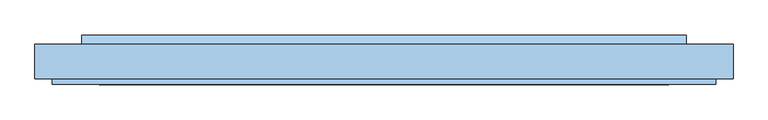
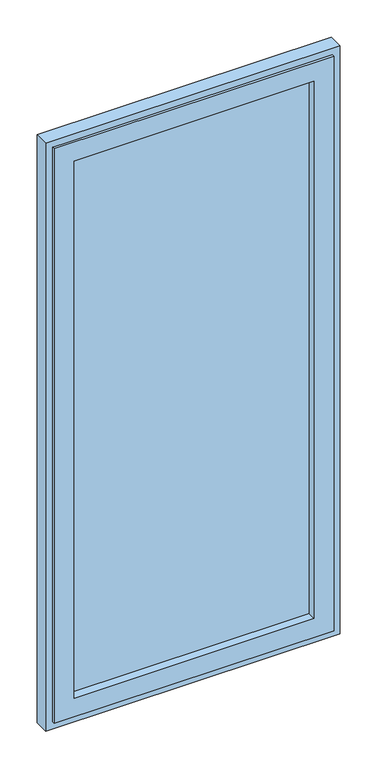
"""IFC4 building model written with IfcOpenShell, lengths in millimetres: window geometry."""

from ifc_helpers import new_model, si_unit, frame, origin, place, context, project, spatial, polyline, outline, extrude, faceted_brep, source, transform, mapped, element, save


def window_d080cc58(model_context):
    return source(origin(), model_context, "Body", "SolidModel", [
        faceted_brep([(-522.9999998, -54.0, 27.0), (-522.9999998, -45.0, 27.0), (522.9999998, -45.0, 27.0), (522.9999998, -54.0, 27.0), (-491.9999998, 0.0, 58.0), (-491.9999998, 9.0, 58.0), (491.9999998, 9.0, 58.0), (491.9999998, 0.0, 58.0), (-448.9999998, 9.0, 101.0), (-448.9999998, -54.0, 101.0), (448.9999998, -54.0, 101.0), (448.9999998, 9.0, 101.0), (522.9999998, -45.0, 2298.0), (522.9999998, -54.0, 2298.0), (491.9999998, 9.0, 2267.0), (491.9999998, 0.0, 2267.0), (448.9999998, -54.0, 2224.0), (448.9999998, 9.0, 2224.0), (-522.9999998, -45.0, 2298.0), (-522.9999998, -54.0, 2298.0), (-491.9999998, 9.0, 2267.0), (-491.9999998, 0.0, 2267.0), (-448.9999998, -54.0, 2224.0), (-448.9999998, 9.0, 2224.0), (-497.9999998, 0.0, 52.0), (-497.9999998, 0.0, 2273.0), (497.9999998, 0.0, 2273.0), (497.9999998, 0.0, 52.0), (-497.9999998, -45.0, 52.0), (497.9999998, -45.0, 52.0), (497.9999998, -45.0, 2273.0), (-497.9999998, -45.0, 2273.0)], [[[0, 1, 2, 3]], [[4, 5, 6, 7]], [[8, 9, 10, 11]], [[3, 2, 12, 13]], [[7, 6, 14, 15]], [[11, 10, 16, 17]], [[13, 12, 18, 19]], [[15, 14, 20, 21]], [[17, 16, 22, 23]], [[19, 18, 1, 0]], [[5, 20, 14, 6], [11, 17, 23, 8]], [[21, 20, 5, 4]], [[24, 25, 26, 27], [7, 15, 21, 4]], [[23, 22, 9, 8]], [[3, 13, 19, 0], [9, 22, 16, 10]], [[28, 24, 27, 29]], [[29, 27, 26, 30]], [[30, 26, 25, 31]], [[1, 18, 12, 2], [29, 30, 31, 28]], [[31, 25, 24, 28]]]),
        extrude(outline(polyline([(448.9999998, -22.0), (-448.9999998, -22.0), (-448.9999998, 0.0), (448.9999998, 0.0), (448.9999998, -22.0)])), frame((0.0, 0.0, 101.0), z_axis=(0.0, 0.0, 1.0), x_axis=(1.0, 0.0, 0.0)), (0.0, 0.0, 1.0), 2123.0),
        extrude(outline(polyline([(24.0, 58.0), (9.0, 58.0), (9.0, 70.5), (24.0, 63.0), (24.0, 58.0)])), frame((-475.9999998, 0.0, 0.0), z_axis=(1.0, 0.0, 0.0), x_axis=(0.0, 1.0, 0.0)), (0.0, 0.0, 1.0), 951.9999997),
        faceted_brep([(497.9999998, 0.0, 52.0), (497.9999998, 9.0, 52.0), (-497.9999998, 9.0, 52.0), (-497.9999998, 0.0, 52.0), (515.9999998, -45.0, 34.0), (515.9999998, 0.0, 34.0), (-515.9999998, 0.0, 34.0), (-515.9999998, -45.0, 34.0), (549.9999998, 9.0, 0.0), (549.9999998, -45.0, 0.0), (-549.9999998, -45.0, 0.0), (-549.9999998, 9.0, 0.0), (-497.9999998, 9.0, 2273.0), (-497.9999998, 0.0, 2273.0), (-515.9999998, 0.0, 2291.0), (-515.9999998, -45.0, 2291.0), (-549.9999998, -45.0, 2325.0), (-549.9999998, 9.0, 2325.0), (497.9999998, 9.0, 2273.0), (497.9999998, 0.0, 2273.0), (515.9999998, 0.0, 2291.0), (515.9999998, -45.0, 2291.0), (549.9999998, -45.0, 2325.0), (549.9999998, 9.0, 2325.0)], [[[0, 1, 2, 3]], [[4, 5, 6, 7]], [[8, 9, 10, 11]], [[3, 2, 12, 13]], [[7, 6, 14, 15]], [[11, 10, 16, 17]], [[13, 12, 18, 19]], [[15, 14, 20, 21]], [[17, 16, 22, 23]], [[19, 18, 1, 0]], [[5, 20, 14, 6], [3, 13, 19, 0]], [[21, 20, 5, 4]], [[9, 22, 16, 10], [7, 15, 21, 4]], [[23, 22, 9, 8]], [[11, 17, 23, 8], [1, 18, 12, 2]]]),
    ])


if __name__ == "__main__":
    model = new_model("IFC4")
    model_context = context("Model", 3, world=origin())
    ifc_project = project(units=[si_unit("LENGTHUNIT", "METRE", prefix="MILLI")], contexts=[model_context])
    site = spatial("IfcSite", under=ifc_project)
    building = spatial("IfcBuilding", under=site)
    placement = place(None, origin())
    window_shape = window_d080cc58(model_context)
    element("IfcWindow", 1, at=placement, inside=building, context=model_context, shape_type="MappedRepresentation", body=[
        mapped(window_shape, transform((0.0, 0.0, 0.0), x_axis=(1.0, 0.0, 0.0), y_axis=(0.0, 1.0, 0.0), z_axis=(0.0, 0.0, 1.0))),
    ])
    save(model, "model.ifc")
